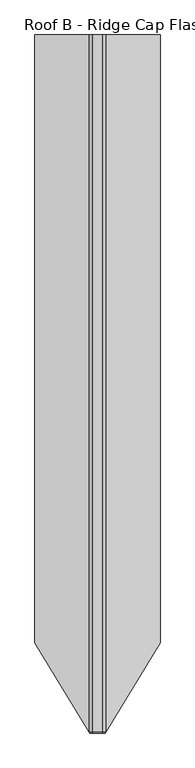
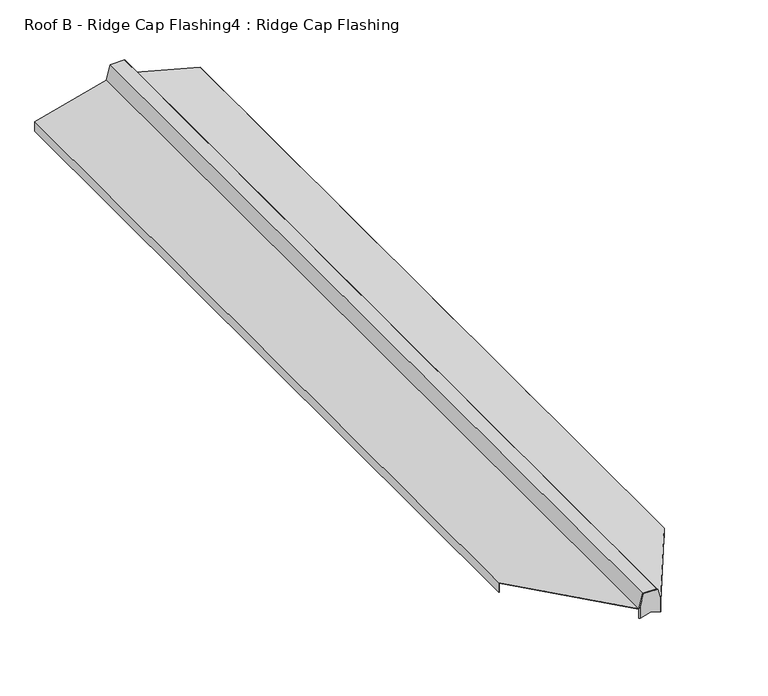
"""IFC4 building model written with IfcOpenShell, lengths in millimetres: proxy geometry, Roof B - Ridge Cap Flashing4 : Ridge Cap Flashing."""

from ifc_helpers import new_model, si_unit, origin, place, context, project, spatial, faceted_brep, source, transform, mapped, element, save


def roof_b_ridge_cap_flashing4_ridge_cap_flashing_3f712b27(model_context):
    return source(origin(), model_context, "Body", "Brep", [
        faceted_brep([(26977.952999, -24660.5994162, 4943.6791939), (26922.204967, -24660.5994162, 4943.6791939), (26909.2674082, -24660.5994162, 4895.3955671), (26909.2674082, -24660.5994162, 4846.7153056), (26950.078983, -24660.5994162, 4857.6507341), (26990.8905578, -24660.5994162, 4846.7153056), (26990.8905578, -24660.5994162, 4895.3955671), (26906.4447359, -24655.9341048, 4884.8612105), (26922.204967, -24655.9341048, 4943.6791939), (26977.952999, -24655.9341048, 4943.6791939), (26993.7132302, -24655.9341048, 4884.8612105), (26993.7132302, -24655.9341048, 4845.9589728), (26950.078983, -24655.9341048, 4857.6507341), (26906.4447359, -24655.9341048, 4845.9589728)], [[[0, 1, 2, 3, 4, 5, 6]], [[7, 8, 9, 10, 11, 12, 13]], [[4, 12, 11, 5]], [[12, 4, 3, 13]], [[10, 9, 0, 6]], [[1, 0, 9, 8]], [[8, 7, 2, 1]], [[6, 5, 11, 10]], [[3, 2, 7, 13]]]),
        faceted_brep([(26922.204967, -21037.9172998, 4943.6791939), (26977.952999, -21037.9172998, 4943.6791939), (26993.7132302, -21037.9172998, 4884.8612105), (27274.6718911, -21037.9172998, 4809.5785642), (27274.6718911, -21037.9172998, 4770.6763265), (27273.6718911, -21037.9172998, 4770.6763265), (27273.6718911, -21037.9172998, 4808.8112372), (26992.8967336, -21037.9172998, 4884.0447139), (26977.185672, -21037.9172998, 4942.6791939), (26922.972294, -21037.9172998, 4942.6791939), (26907.2612325, -21037.9172998, 4884.0447139), (26626.4860749, -21037.9172998, 4808.8112372), (26626.4860749, -21037.9172998, 4770.6763265), (26625.4860749, -21037.9172998, 4770.6763265), (26625.4860749, -21037.9172998, 4809.5785642), (26906.4447359, -21037.9172998, 4884.8612105), (26922.972294, -24655.9341048, 4942.6791939), (26977.185672, -24655.9341048, 4942.6791939), (26992.8967336, -24655.9341048, 4884.0447139), (26993.7132302, -24655.9341048, 4883.8259343), (26993.7132302, -24655.9341048, 4884.8612105), (26977.952999, -24655.9341048, 4943.6791939), (26922.204967, -24655.9341048, 4943.6791939), (26906.4447359, -24655.9341048, 4884.8612105), (26906.4447359, -24655.9341048, 4883.8259343), (26907.2612325, -24655.9341048, 4884.0447139), (26626.4860749, -24193.2185763, 4808.8112372), (26625.4860749, -24191.5657768, 4809.5785642), (26626.4860749, -24193.2185763, 4770.6763265), (26625.4860749, -24191.5657768, 4770.6763265), (27274.6718911, -24191.5657768, 4809.5785642), (27274.6718911, -24191.5657768, 4770.6763265), (27273.6718911, -24193.2185763, 4770.6763265), (27273.6718911, -24193.2185763, 4808.8112372)], [[[0, 1, 2, 3, 4, 5, 6, 7, 8, 9, 10, 11, 12, 13, 14, 15]], [[16, 17, 18, 19, 20, 21, 22, 23, 24, 25]], [[1, 0, 22, 21]], [[2, 1, 21, 20]], [[8, 7, 18, 17]], [[9, 8, 17, 16]], [[11, 10, 25, 24, 26]], [[15, 14, 27, 23]], [[10, 9, 16, 25]], [[12, 11, 26, 28]], [[13, 12, 28, 29]], [[14, 13, 29, 27]], [[0, 15, 23, 22]], [[3, 2, 20, 30]], [[4, 3, 30, 31]], [[5, 4, 31, 32]], [[6, 5, 32, 33]], [[7, 6, 33, 19, 18]], [[20, 19, 33, 32, 31, 30]], [[24, 23, 27, 29, 28, 26]]]),
    ])


if __name__ == "__main__":
    model = new_model("IFC4")
    model_context = context("Model", 3, world=origin())
    ifc_project = project(units=[si_unit("LENGTHUNIT", "METRE", prefix="MILLI")], contexts=[model_context])
    site = spatial("IfcSite", under=ifc_project)
    building = spatial("IfcBuilding", under=site)
    placement = place(None, origin())
    roof_b_ridge_cap_flashing4_ridge_cap_flashing_shape = roof_b_ridge_cap_flashing4_ridge_cap_flashing_3f712b27(model_context)
    element("IfcBuildingElementProxy", 1, Name="Roof B - Ridge Cap Flashing4 : Ridge Cap Flashing", ObjectType="Roof B - Ridge Cap Flashing4 : Ridge Cap Flashing", at=placement, inside=building, context=model_context, shape_type="MappedRepresentation", body=[
        mapped(roof_b_ridge_cap_flashing4_ridge_cap_flashing_shape, transform((0.0, 0.0, 0.0), x_axis=(1.0, 0.0, 0.0), y_axis=(0.0, 1.0, 0.0), z_axis=(0.0, 0.0, 1.0))),
    ])
    save(model, "model.ifc")
